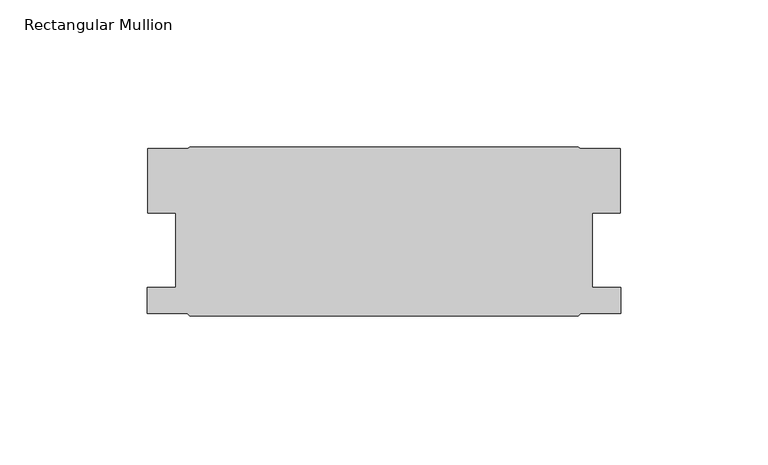
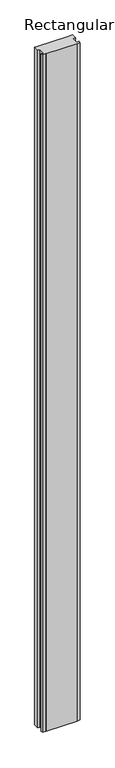
"""IFC4 building model written with IfcOpenShell, lengths in millimetres: member geometry, Rectangular Mullion."""

from ifc_helpers import new_model, si_unit, frame, origin, place, context, project, spatial, polyline, outline, extrude, source, transform, mapped, element, save


def rectangular_mullion_828990c9(model_context):
    return source(origin(), model_context, "Body", "SweptSolid", [
        extrude(outline(polyline([(-80.7418677, -22.21865), (-80.7418677, -0.4571999), (-67.1200171, -0.4571999), (-66.4670679, 0.0), (65.3084629, 0.0), (65.961412, -0.4571999), (79.5832627, -0.4571999), (79.5832627, -22.21865), (69.9891827, -22.21865), (69.9891827, -47.61865), (79.5959629, -47.61865), (79.5959629, -56.35625), (66.1022229, -56.35625), (65.3084729, -57.15), (-66.4670679, -57.15), (-67.2608179, -56.35625), (-80.7545679, -56.35625), (-80.7545679, -47.61865), (-71.0981783, -47.61865), (-71.0981783, -22.21865), (-80.7418677, -22.21865)])), frame((0.0, 0.0, -3048.0), z_axis=(0.0, 0.0, 1.0), x_axis=(1.0, 0.0, 0.0)), (0.0, 0.0, 1.0), 3048.0),
    ])


if __name__ == "__main__":
    model = new_model("IFC4")
    model_context = context("Model", 3, world=origin())
    ifc_project = project(units=[si_unit("LENGTHUNIT", "METRE", prefix="MILLI")], contexts=[model_context])
    site = spatial("IfcSite", under=ifc_project)
    building = spatial("IfcBuilding", under=site)
    placement = place(None, origin())
    rectangular_mullion_shape = rectangular_mullion_828990c9(model_context)
    element("IfcMember", 1, ObjectType="Rectangular Mullion", at=placement, inside=building, context=model_context, shape_type="MappedRepresentation", body=[
        mapped(rectangular_mullion_shape, transform((0.0, 0.0, 0.0), x_axis=(1.0, 0.0, 0.0), y_axis=(0.0, 1.0, 0.0), z_axis=(0.0, 0.0, 1.0))),
    ])
    save(model, "model.ifc")
